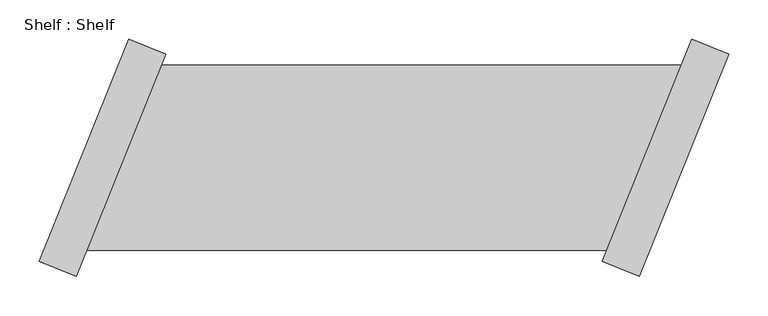
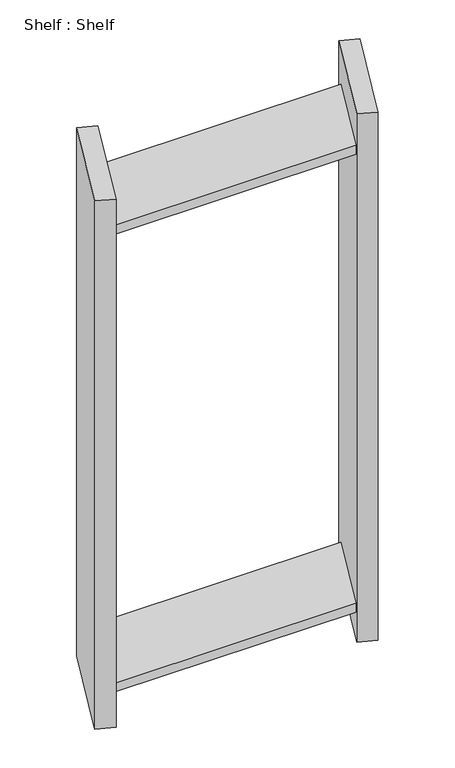
"""IFC4 building model written with IfcOpenShell, lengths in millimetres: proxy geometry, Shelf : Shelf."""

from ifc_helpers import new_model, si_unit, origin, place, context, project, spatial, faceted_brep, source, transform, mapped, element, save


def shelf_shelf_1b9799d8(model_context):
    return source(origin(), model_context, "Body", "Brep", [
        faceted_brep([(-375.8484902, 117.8351934, 1422.4), (-375.8484902, 117.8351934, 1397.0), (-1037.1942429, 117.8351934, 1397.0), (-1037.1942429, 117.8351934, 1422.4), (-470.5874409, -117.8351934, 1397.0), (-1131.9331936, -117.8351934, 1397.0), (-470.5874409, -117.8351934, 1422.4), (-1131.9331936, -117.8351934, 1422.4), (-315.4320338, 131.928337, 0.0), (-429.1187746, -150.8761272, 0.0), (-476.252852, -131.928337, 0.0), (-362.5661112, 150.8761272, 0.0), (-429.1187746, -150.8761272, 1524.0), (-476.252852, -131.928337, 1524.0), (-315.4320338, 131.928337, 1524.0), (-362.5661112, 150.8761272, 1524.0), (-470.5874409, -117.8351934, 76.2), (-375.8484902, 117.8351934, 76.2), (-375.8484902, 117.8351934, 101.6), (-470.5874409, -117.8351934, 101.6), (-1131.9331936, -117.8351934, 76.2), (-1037.1942429, 117.8351934, 76.2), (-1131.9331936, -117.8351934, 101.6), (-1037.1942429, 117.8351934, 101.6), (-1192.3496499, -131.928337, 0.0), (-1078.6629091, 150.8761272, 0.0), (-1031.5288317, 131.928337, 0.0), (-1145.2155726, -150.8761272, 0.0), (-1145.2155726, -150.8761272, 1524.0), (-1192.3496499, -131.928337, 1524.0), (-1031.5288317, 131.928337, 1524.0), (-1078.6629091, 150.8761272, 1524.0)], [[[0, 1, 2, 3]], [[1, 4, 5, 2]], [[4, 6, 7, 5]], [[6, 0, 3, 7]], [[8, 9, 10, 11]], [[10, 9, 12, 13]], [[13, 12, 14, 15]], [[8, 11, 15, 14]], [[11, 10, 13, 15], [1, 0, 6, 4], [16, 17, 18, 19]], [[9, 8, 14, 12]], [[17, 16, 20, 21]], [[16, 19, 22, 20]], [[19, 18, 23, 22]], [[18, 17, 21, 23]], [[24, 25, 26, 27]], [[24, 27, 28, 29]], [[29, 28, 30, 31]], [[26, 25, 31, 30]], [[27, 26, 30, 28], [3, 2, 5, 7], [21, 20, 22, 23]], [[25, 24, 29, 31]]]),
    ])


if __name__ == "__main__":
    model = new_model("IFC4")
    model_context = context("Model", 3, world=origin())
    ifc_project = project(units=[si_unit("LENGTHUNIT", "METRE", prefix="MILLI")], contexts=[model_context])
    site = spatial("IfcSite", under=ifc_project)
    building = spatial("IfcBuilding", under=site)
    placement = place(None, origin())
    shelf_shelf_shape = shelf_shelf_1b9799d8(model_context)
    element("IfcBuildingElementProxy", 1, Name="Shelf : Shelf", ObjectType="Shelf : Shelf", at=placement, inside=building, context=model_context, shape_type="MappedRepresentation", body=[
        mapped(shelf_shelf_shape, transform((0.0, 0.0, 0.0), x_axis=(1.0, 0.0, 0.0), y_axis=(0.0, 1.0, 0.0), z_axis=(0.0, 0.0, 1.0))),
    ])
    save(model, "model.ifc")
